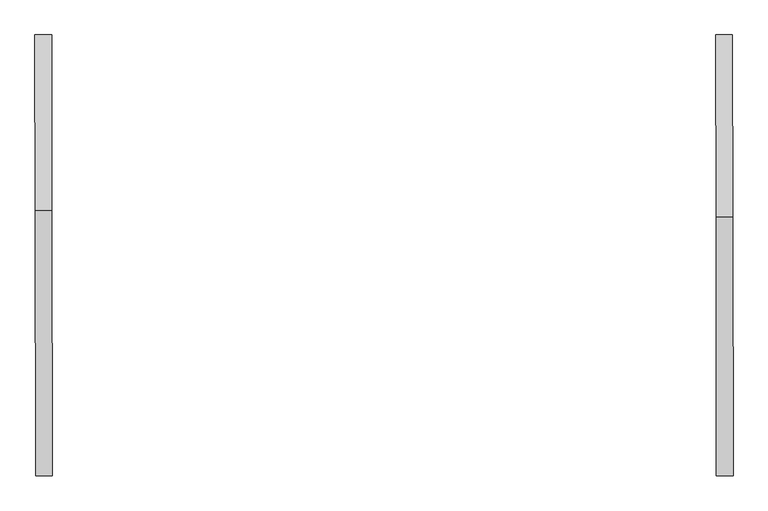
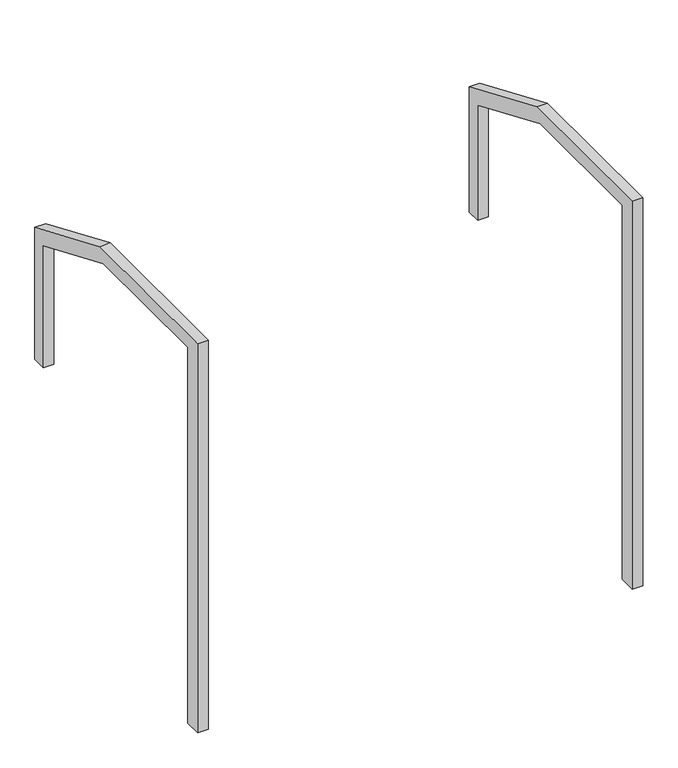
"""IFC4 building model written with IfcOpenShell, lengths in millimetres: proxy geometry."""

import ifcopenshell
import ifcopenshell.guid

model = None  # the IFC model being written
_history = None  # IfcOwnerHistory: only IFC2X3 demands one
_inside = {}  # id of a spatial element -> (the spatial element, [elements in it])
_under = {}  # id of a project, library or spatial element -> (it, [spatial elements below it])
_declared = {}  # id of a project -> (the project, [libraries it declares])
_typed = {}  # id of a type object -> (the type object, [elements of that type])
_made_of = {}  # id of a material, layer set ... -> (it, [elements and type objects made of it])


def new_model(schema):
    """Start an empty IFC model of exactly this schema.

    Asked for "IFC4X3", IfcOpenShell would pick the latest addendum, in which some entities
    have other attributes; the version numbers below select the first issue.
    IFC2X3 requires an IfcOwnerHistory on every rooted entity: one is made here for all.
    """
    global model, _history
    if schema == "IFC4X3":
        model = ifcopenshell.file(schema_version=(4, 3, 0, 0))
    else:
        model = ifcopenshell.file(schema=schema)
    _inside.clear()
    _under.clear()
    _declared.clear()
    _typed.clear()
    _made_of.clear()
    _history = None
    if model.schema == "IFC2X3":
        org = make("IfcOrganization", Name="unknown")
        user = make(
            "IfcPersonAndOrganization",
            ThePerson=make("IfcPerson", FamilyName="unknown"),
            TheOrganization=org,
        )
        app = make(
            "IfcApplication",
            ApplicationDeveloper=org,
            Version="unknown",
            ApplicationFullName="unknown",
            ApplicationIdentifier="unknown",
        )
        _history = make(
            "IfcOwnerHistory",
            OwningUser=user,
            OwningApplication=app,
            ChangeAction="ADDED",
            CreationDate=0,
        )
    return model


def make(cls, **values):
    """One entity of the class cls with the attributes given. An attribute that is None is left unset."""
    return model.create_entity(
        cls, **{name: value for name, value in values.items() if value is not None}
    )


def rooted(cls, **values):
    """An entity with a GlobalId (a new one), such as an element, a storey or a relation."""
    return make(cls, GlobalId=ifcopenshell.guid.new(), OwnerHistory=_history, **values)


def si_unit(unit_type, name, prefix=None):
    """IfcSIUnit, for example si_unit("LENGTHUNIT", "METRE", prefix="MILLI")."""
    return make("IfcSIUnit", UnitType=unit_type, Prefix=prefix, Name=name)


def assignment(units):
    """IfcUnitAssignment: the units of a project."""
    return None if units is None else make("IfcUnitAssignment", Units=units)


def point(xyz):
    """IfcCartesianPoint."""
    return None if xyz is None else make("IfcCartesianPoint", Coordinates=xyz)


def direction(xyz):
    """IfcDirection."""
    return None if xyz is None else make("IfcDirection", DirectionRatios=xyz)


def frame(location, z_axis=None, x_axis=None):
    """IfcAxis2Placement3D, a coordinate frame: its origin and axes. An axis left out is left unset."""
    return make(
        "IfcAxis2Placement3D",
        Location=point(location),
        Axis=direction(z_axis),
        RefDirection=direction(x_axis),
    )


def origin():
    """The frame at (0, 0, 0) with its axes left unset."""
    return frame((0.0, 0.0, 0.0))


def place(relative_to, where):
    """IfcLocalPlacement: puts the frame where relative to a parent placement (None: the world)."""
    return make(
        "IfcLocalPlacement", PlacementRelTo=relative_to, RelativePlacement=where
    )


def context(
    kind, dimensions, precision=None, world=None, true_north=None, identifier=None
):
    """IfcGeometricRepresentationContext, for example the 3D "Model" context."""
    return make(
        "IfcGeometricRepresentationContext",
        ContextIdentifier=identifier,
        ContextType=kind,
        CoordinateSpaceDimension=dimensions,
        Precision=precision,
        WorldCoordinateSystem=world,
        TrueNorth=true_north,
    )


def project(units=None, contexts=None):
    """IfcProject with its units and contexts."""
    return rooted(
        "IfcProject",
        Name="project",
        RepresentationContexts=contexts,
        UnitsInContext=assignment(units),
    )


def spatial(cls, under=None, at=None, **own):
    """A site, building, storey or space (cls), placed at a placement, below another one or the project."""
    s = rooted(cls, ObjectPlacement=at, **own)
    if under is not None:
        _under.setdefault(under.id(), (under, []))[1].append(s)
    return s


def polyline(points):
    """IfcPolyline through the points."""
    return make("IfcPolyline", Points=[point(p) for p in points])


def outline(outer, holes=None, kind="AREA"):
    """IfcArbitraryClosedProfileDef: a profile drawn as a closed curve; with holes, ...WithVoids."""
    if holes is None:
        return make("IfcArbitraryClosedProfileDef", ProfileType=kind, OuterCurve=outer)
    return make(
        "IfcArbitraryProfileDefWithVoids",
        ProfileType=kind,
        OuterCurve=outer,
        InnerCurves=holes,
    )


def extrude(swept, where, along, depth):
    """IfcExtrudedAreaSolid: the profile swept, set in the frame where, extruded along a direction by depth."""
    return make(
        "IfcExtrudedAreaSolid",
        SweptArea=swept,
        Position=where,
        ExtrudedDirection=direction(along),
        Depth=depth,
    )


def shape(context_of_items, identifier, shape_type, items):
    """IfcShapeRepresentation: the items that make up one representation, for example the "Body"."""
    return make(
        "IfcShapeRepresentation",
        ContextOfItems=context_of_items,
        RepresentationIdentifier=identifier,
        RepresentationType=shape_type,
        Items=items,
    )


def source(mapping_origin, context_of_items, identifier, shape_type, items):
    """IfcRepresentationMap: a shape defined once, which mapped items show again and again."""
    return make(
        "IfcRepresentationMap",
        MappingOrigin=mapping_origin,
        MappedRepresentation=shape(context_of_items, identifier, shape_type, items),
    )


def transform(
    local_origin,
    x_axis=None,
    y_axis=None,
    z_axis=None,
    scale=None,
    scale2=None,
    scale3=None,
    uniform=True,
):
    """IfcCartesianTransformationOperator3D, or its non-uniform kind. x_axis, y_axis, z_axis: its Axis1, 2, 3."""
    if uniform:
        return make(
            "IfcCartesianTransformationOperator3D",
            Axis1=direction(x_axis),
            Axis2=direction(y_axis),
            LocalOrigin=point(local_origin),
            Scale=scale,
            Axis3=direction(z_axis),
        )
    return make(
        "IfcCartesianTransformationOperator3DnonUniform",
        Axis1=direction(x_axis),
        Axis2=direction(y_axis),
        LocalOrigin=point(local_origin),
        Scale=scale,
        Axis3=direction(z_axis),
        Scale2=scale2,
        Scale3=scale3,
    )


def mapped(mapping_source, mapping_target):
    """IfcMappedItem: shows the shape of a source again, moved by a transform."""
    return make(
        "IfcMappedItem", MappingSource=mapping_source, MappingTarget=mapping_target
    )


def made_of(thing, what):
    """Note that an element or type object is made of a material, layer set ...; save() writes the relation."""
    if what is not None:
        _made_of.setdefault(what.id(), (what, []))[1].append(thing)
    return thing


def element(
    cls,
    number,
    at=None,
    inside=None,
    cuts=None,
    type_object=None,
    material=None,
    context=None,
    identifier="Body",
    shape_type=None,
    held_by="IfcProductDefinitionShape",
    body=None,
    shapes=None,
    **own,
):
    """One element of the class cls, such as IfcWall. Its Tag is "e" and its number.

    at: its placement. inside: the storey or other place that contains it. cuts: it is an
    opening in that element (IfcRelVoidsElement). A single representation is given by context,
    identifier, shape_type and body (its items); several are given by shapes. held_by: the class
    of the entity that holds the representations. save() writes the other relations.
    """
    e = rooted(cls, Tag="e%d" % number, ObjectPlacement=at, **own)
    if body is not None:
        shapes = [shape(context, identifier, shape_type, body)]
    if shapes is not None:
        e.Representation = make(held_by, Representations=shapes)
    if inside is not None:
        _inside.setdefault(inside.id(), (inside, []))[1].append(e)
    if cuts is not None:
        rooted(
            "IfcRelVoidsElement", RelatingBuildingElement=cuts, RelatedOpeningElement=e
        )
    if type_object is not None:
        _typed.setdefault(type_object.id(), (type_object, []))[1].append(e)
    return made_of(e, material)


def aggregate(whole, parts):
    """IfcRelAggregates: a whole, such as a stair, and the parts it consists of."""
    return rooted("IfcRelAggregates", RelatingObject=whole, RelatedObjects=parts)


def save(model, path):
    """Write the relations noted so far, then the file.

    IfcRelAggregates (storeys below a building ...), IfcRelContainedInSpatialStructure (elements
    in a storey), IfcRelDefinesByType, IfcRelAssociatesMaterial and IfcRelDeclares: one each for
    every whole, place, type object, material and project.
    """
    for whole, parts in _under.values():
        aggregate(whole, parts)
    for where, things in _inside.values():
        rooted(
            "IfcRelContainedInSpatialStructure",
            RelatedElements=things,
            RelatingStructure=where,
        )
    for kind, things in _typed.values():
        rooted("IfcRelDefinesByType", RelatedObjects=things, RelatingType=kind)
    for what, things in _made_of.values():
        rooted("IfcRelAssociatesMaterial", RelatedObjects=things, RelatingMaterial=what)
    for by, libraries in _declared.values():
        rooted("IfcRelDeclares", RelatingContext=by, RelatedDefinitions=libraries)
    model.write(path)


def generic_models_18dcbe59(model_context):
    return source(origin(), model_context, "Body", "SweptSolid", [
        extrude(outline(polyline([(0.0, 0.0), (0.0, 2209.0787284), (93.6670787, 2209.0787284), (93.6670787, -79.3622542), (-847.7474759, -79.3622542), (-1469.3481535, 184.4915791), (-1469.3481535, 960.9530499), (-1388.8554339, 960.9530499), (-1388.8554339, 244.6494434), (-812.4974637, 0.0), (0.0, 0.0)])), frame((-73602.22078, 121479.9290485, 13370.721992), z_axis=(0.9999990131372021, 0.0014048930998798788, 0.0), x_axis=(0.0014048930998798788, -0.9999990131372021, 0.0)), (0.0, 0.0, 1.0), 59.222419),
        extrude(outline(polyline([(0.0, 0.0), (0.0, 2199.0787284), (93.6670787, 2199.0787284), (93.6670787, -79.3622542), (-824.1889523, -79.3622542), (-1469.3481535, 194.4915791), (-1469.3481535, 930.721992), (-1388.8554339, 930.721992), (-1388.8554339, 254.6494434), (-788.9389401, 0.0), (0.0, 0.0)])), frame((-71187.2351296, 121479.9290485, 13360.721992), z_axis=(0.9999990131372021, 0.0014048930998798788, 0.0), x_axis=(0.0014048930998798788, -0.9999990131372021, 0.0)), (0.0, 0.0, 1.0), 59.222419),
    ])


if __name__ == "__main__":
    model = new_model("IFC4")
    model_context = context("Model", 3, world=origin())
    ifc_project = project(units=[si_unit("LENGTHUNIT", "METRE", prefix="MILLI")], contexts=[model_context])
    site = spatial("IfcSite", under=ifc_project)
    building = spatial("IfcBuilding", under=site)
    placement = place(None, origin())
    generic_models_shape = generic_models_18dcbe59(model_context)
    element("IfcBuildingElementProxy", 1, Name="Generic Models", at=placement, inside=building, context=model_context, shape_type="MappedRepresentation", body=[
        mapped(generic_models_shape, transform((0.0, 0.0, 0.0), x_axis=(1.0, 0.0, 0.0), y_axis=(0.0, 1.0, 0.0), z_axis=(0.0, 0.0, 1.0))),
    ])
    save(model, "model.ifc")
